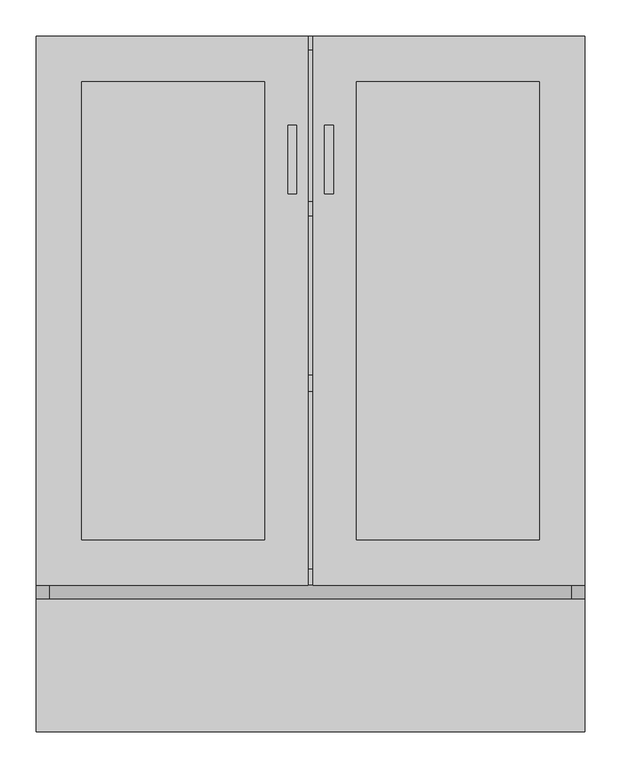
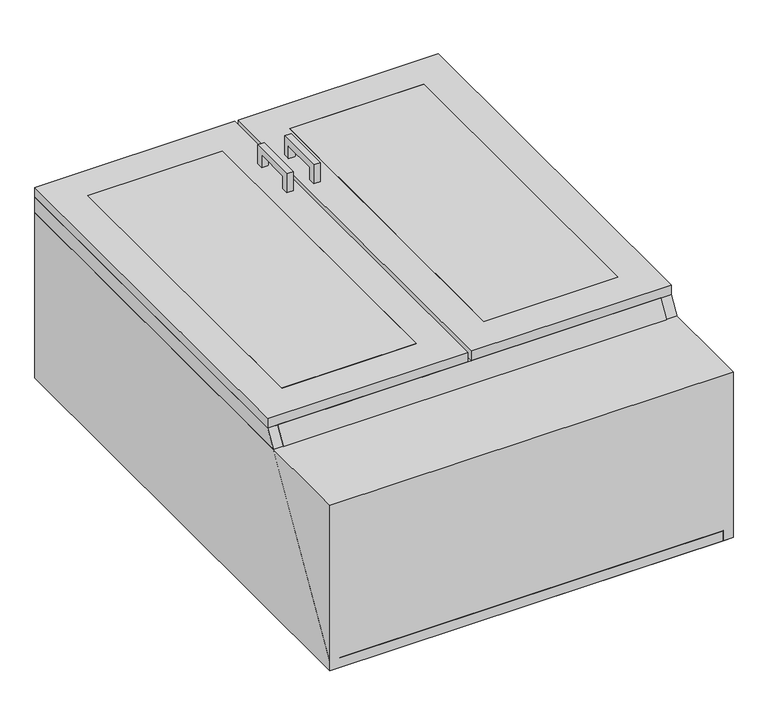
"""IFC4 building model written with IfcOpenShell, lengths in millimetres: proxy geometry."""

from ifc_helpers import new_model, si_unit, frame, origin, origin_with_axes, place, context, project, spatial, polyline, outline, extrude, source, transform, mapped, element, save


def specialty_equipment_8fe9e2e8(model_context):
    return source(origin(), model_context, "Body", "SweptSolid", [
        extrude(outline(polyline([(-965.2, 19.05), (-762.0, 361.95), (-739.8563437, 361.95), (-943.0563437, 19.05), (-965.2, 19.05)])), frame((-361.95, 0.0, 0.0), z_axis=(1.0, 0.0, 0.0), x_axis=(0.0, 1.0, 0.0)), (0.0, 0.0, 1.0), 723.9),
        extrude(outline(polyline([(-219.0655468, 419.0810937), (-123.8533595, 419.0810937), (-123.8533595, 381.0), (-136.5230095, 381.0), (-136.5230095, 406.4114436), (-206.3958968, 406.4114436), (-206.3958968, 381.0), (-219.0655468, 381.0), (-219.0655468, 419.0810937)])), frame((-31.4565288, 0.0, 0.0), z_axis=(1.0, 0.0, 0.0), x_axis=(0.0, 1.0, 0.0)), (0.0, 0.0, 1.0), 12.4023438),
        extrude(outline(polyline([(-219.0655468, 419.0810937), (-123.8533595, 419.0810937), (-123.8533595, 381.0), (-136.5230095, 381.0), (-136.5230095, 406.4114436), (-206.3958968, 406.4114436), (-206.3958968, 381.0), (-219.0655468, 381.0), (-219.0655468, 419.0810937)])), frame((19.3476563, 0.0, 0.0), z_axis=(1.0, 0.0, 0.0), x_axis=(0.0, 1.0, 0.0)), (0.0, 0.0, 1.0), 12.4023438),
        extrude(outline(polyline([(381.0, -965.2), (-381.0, -965.2), (-381.0, 0.0), (381.0, 0.0), (381.0, -965.2)])), origin_with_axes(), (0.0, 0.0, 1.0), 330.2),
        extrude(outline(polyline([(317.5, -63.5), (317.5, -698.5), (63.5, -698.5), (63.5, -63.5), (317.5, -63.5)])), frame((0.0, 0.0, 374.65), z_axis=(0.0, 0.0, 1.0), x_axis=(1.0, 0.0, 0.0)), (0.0, 0.0, 1.0), 6.35),
        extrude(outline(polyline([(-63.5, -63.5), (-63.5, -698.5), (-317.5, -698.5), (-317.5, -63.5), (-63.5, -63.5)])), frame((0.0, 0.0, 374.65), z_axis=(0.0, 0.0, 1.0), x_axis=(1.0, 0.0, 0.0)), (0.0, 0.0, 1.0), 6.35),
        extrude(outline(polyline([(381.0, 0.0), (381.0, -762.0), (3.175, -762.0), (3.175, 0.0), (381.0, 0.0)]), holes=[polyline([(317.5, -63.5), (63.5, -63.5), (63.5, -698.5), (317.5, -698.5), (317.5, -63.5)])]), frame((0.0, 0.0, 361.95), z_axis=(0.0, 0.0, 1.0), x_axis=(1.0, 0.0, 0.0)), (0.0, 0.0, 1.0), 19.05),
        extrude(outline(polyline([(361.95, -470.4491105), (361.95, -492.3899118), (-361.95, -492.3899118), (-361.95, -470.4491105), (361.95, -470.4491105)])), frame((0.0, 0.0, 19.05), z_axis=(0.0, 0.0, 1.0), x_axis=(1.0, 0.0, 0.0)), (0.0, 0.0, 1.0), 342.9),
        extrude(outline(polyline([(361.95, -229.9011198), (361.95, -249.0078655), (-361.95, -249.0078655), (-361.95, -229.9011198), (361.95, -229.9011198)])), frame((0.0, 0.0, 19.05), z_axis=(0.0, 0.0, 1.0), x_axis=(1.0, 0.0, 0.0)), (0.0, 0.0, 1.0), 342.9),
        extrude(outline(polyline([(-3.175, 0.0), (-3.175, -762.0), (-381.0, -762.0), (-381.0, 0.0), (-3.175, 0.0)]), holes=[polyline([(-63.5, -63.5), (-317.5, -63.5), (-317.5, -698.5), (-63.5, -698.5), (-63.5, -63.5)])]), frame((0.0, 0.0, 361.95), z_axis=(0.0, 0.0, 1.0), x_axis=(1.0, 0.0, 0.0)), (0.0, 0.0, 1.0), 19.05),
        extrude(outline(polyline([(361.95, -965.2), (-361.95, -965.2), (-361.95, -19.05), (361.95, -19.05), (361.95, -965.2)])), origin_with_axes(), (0.0, 0.0, 1.0), 19.05),
        extrude(outline(polyline([(-762.0, 0.0), (-965.2, 0.0), (-965.2, 19.05), (-762.0, 361.95), (0.0, 361.95), (0.0, 0.0), (-762.0, 0.0)])), frame((361.95, 0.0, 0.0), z_axis=(1.0, 0.0, 0.0), x_axis=(0.0, 1.0, 0.0)), (0.0, 0.0, 1.0), 19.05),
        extrude(outline(polyline([(-965.2, 0.0), (-965.2, 19.05), (-762.0, 361.95), (0.0, 361.95), (0.0, 0.0), (-965.2, 0.0)])), frame((-381.0, 0.0, 0.0), z_axis=(1.0, 0.0, 0.0), x_axis=(0.0, 1.0, 0.0)), (0.0, 0.0, 1.0), 19.05),
        extrude(outline(polyline([(-361.95, -19.05), (-361.95, 0.0), (361.95, 0.0), (361.95, -19.05), (-361.95, -19.05)])), origin_with_axes(), (0.0, 0.0, 1.0), 361.95),
    ])


if __name__ == "__main__":
    model = new_model("IFC4")
    model_context = context("Model", 3, world=origin())
    ifc_project = project(units=[si_unit("LENGTHUNIT", "METRE", prefix="MILLI")], contexts=[model_context])
    site = spatial("IfcSite", under=ifc_project)
    building = spatial("IfcBuilding", under=site)
    placement = place(None, origin())
    specialty_equipment_shape = specialty_equipment_8fe9e2e8(model_context)
    element("IfcBuildingElementProxy", 1, Name="Specialty Equipment", at=placement, inside=building, context=model_context, shape_type="MappedRepresentation", body=[
        mapped(specialty_equipment_shape, transform((0.0, 0.0, 0.0), x_axis=(1.0, 0.0, 0.0), y_axis=(0.0, 1.0, 0.0), z_axis=(0.0, 0.0, 1.0))),
    ])
    save(model, "model.ifc")
